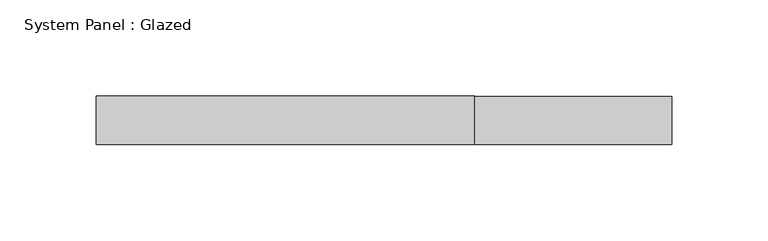
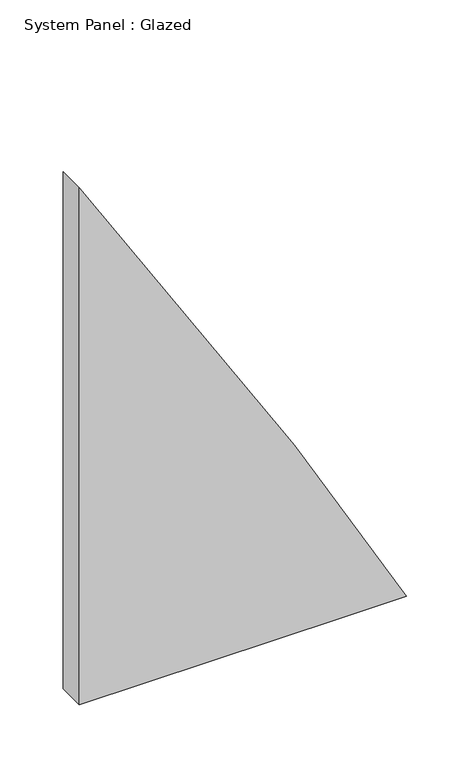
"""IFC4 building model written with IfcOpenShell, lengths in millimetres: plate geometry, System Panel : Glazed."""

from ifc_helpers import new_model, si_unit, point, frame, frame_2d, origin, place, context, project, spatial, polyline, circle_curve, trimmed, segment, composite_curve, outline, extrude, source, transform, mapped, element, save


def system_panel_glazed_5c1bd009(model_context):
    return source(origin(), model_context, "Body", "SweptSolid", [
        extrude(outline(composite_curve([segment(polyline([(0.0, -149.2706834), (0.0, 90.3738965), (0.0, 149.2706834)]), True, "CONTINUOUS"), segment(trimmed(circle_curve(frame_2d((-3276.8533559, -5882.0628556)), 6864.0186607), [point((0.0, 149.2706834))], [point((181.2956201, 47.1831196))], False, "CARTESIAN"), True, "CONTINUOUS"), segment(trimmed(circle_curve(frame_2d((-3276.8533559, -5882.0628556)), 6864.0186607), [point((181.2956201, 47.1831196))], [point((498.0434751, -149.2706834))], False, "CARTESIAN"), True, "CONTINUOUS"), segment(polyline([(498.0434751, -149.2706834), (0.0, -149.2706834)]), True, "CONTINUOUS")], self_intersect=False)), frame((0.0, 24.5, 0.0), z_axis=(0.0, 1.0, 0.0), x_axis=(0.0, 0.0, 1.0)), (0.0, 0.0, 1.0), 25.0),
    ])


if __name__ == "__main__":
    model = new_model("IFC4")
    model_context = context("Model", 3, world=origin())
    ifc_project = project(units=[si_unit("LENGTHUNIT", "METRE", prefix="MILLI")], contexts=[model_context])
    site = spatial("IfcSite", under=ifc_project)
    building = spatial("IfcBuilding", under=site)
    placement = place(None, origin())
    system_panel_glazed_shape = system_panel_glazed_5c1bd009(model_context)
    element("IfcPlate", 1, ObjectType="System Panel : Glazed", at=placement, inside=building, context=model_context, shape_type="MappedRepresentation", body=[
        mapped(system_panel_glazed_shape, transform((0.0, 0.0, 0.0), x_axis=(1.0, 0.0, 0.0), y_axis=(0.0, 1.0, 0.0), z_axis=(0.0, 0.0, 1.0))),
    ])
    save(model, "model.ifc")
